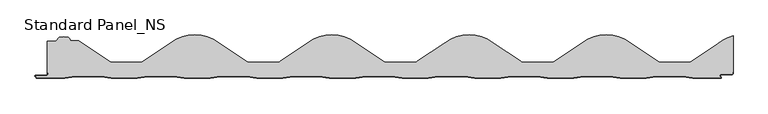
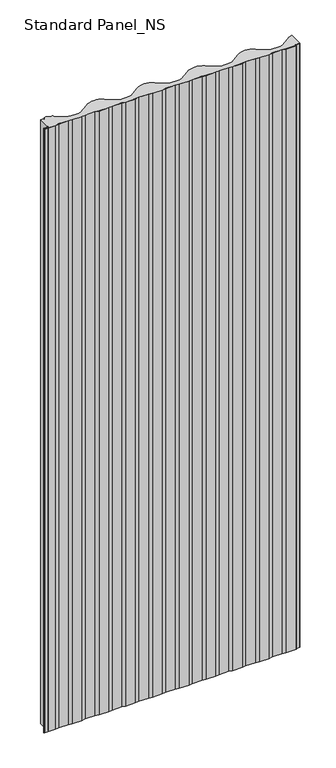
"""IFC4 building model written with IfcOpenShell, lengths in millimetres: proxy geometry, Standard Panel_NS."""

from ifc_helpers import new_model, si_unit, point, frame, frame_2d, origin, origin_with_axes, place, context, project, spatial, polyline, circle_curve, trimmed, segment, composite_curve, outline, extrude, source, transform, mapped, element, save
from ifc_brep_helpers import plane_surface, cylinder_surface, revolved_surface, advanced_brep


def standard_panel_ns_b947a4be(model_context):
    return source(origin(), model_context, "Body", "SolidModel", [
        advanced_brep(
        [(395.5323329, 23.5, 2527.968552), (389.2770009, 25.4959769, 2527.968552), (349.7455676, 52.1089905, 2527.968552), (314.8322403, 63.5, 2527.968552), (279.918913, 52.1089905, 2527.968552), (240.3915864, 25.4988948, 2527.968552), (234.1323472, 23.5, 2527.968552), (195.5323329, 23.5, 2527.968552), (189.2770009, 25.4959769, 2527.968552), (149.7455676, 52.1089905, 2527.968552), (114.8322403, 63.5, 2527.968552), (79.918913, 52.1089905, 2527.968552), (40.3915864, 25.4988948, 2527.968552), (34.1323473, 23.5, 2527.968552), (-4.4676671, 23.5, 2527.968552), (-10.7229991, 25.4959769, 2527.968552), (-50.2544324, 52.1089905, 2527.968552), (-85.1677597, 63.5, 2527.968552), (-120.081087, 52.1089905, 2527.968552), (-159.6084136, 25.4988948, 2527.968552), (-165.8676528, 23.5, 2527.968552), (-204.4676671, 23.5, 2527.968552), (-210.7229991, 25.4959769, 2527.968552), (-250.2544324, 52.1089905, 2527.968552), (-285.1677597, 63.5, 2527.968552), (-320.0592959, 52.1248963, 2527.968552), (-359.6038434, 25.503876, 2527.968552), (-365.8686419, 23.4994091, 2527.968552), (-404.4674259, 23.4994091, 2527.968552), (-410.7229092, 25.4954353, 2527.968552), (-450.2545801, 52.1086168, 2527.968552), (-453.5825162, 54.3696165, 2527.968552), (-456.0900423, 55.09444, 2527.968552), (-465.4302124, 55.09444, 2527.968552), (-467.2062902, 56.6011784, 2527.968552), (-470.5868875, 60.0466486, 2527.968552), (-482.1786224, 60.0466465, 2527.968552), (-485.5592106, 56.6012998, 2527.968552), (-487.3351296, 55.0947436, 2527.968552), (-499.9999093, 54.4964332, 2527.968552), (-499.9999093, 8.130172, 2527.968552), (-499.1999093, 8.130172, 2527.968552), (-499.1999093, 6.2001721, 2527.968552), (-501.399909, 4.0001723, 2527.968552), (-517.7297352, 4.0001723, 2527.968552), (-515.6532927, 0.8, 2527.968552), (-474.8011193, 0.8, 2527.968552), (-459.8011193, 3.3, 2527.968552), (-421.6686993, 3.3, 2527.968552), (-406.6686993, 0.8, 2527.968552), (-368.8011193, 0.8, 2527.968552), (-353.8011193, 3.3, 2527.968552), (-315.6686993, 3.3, 2527.968552), (-300.6686993, 0.8, 2527.968552), (-262.8011193, 0.8, 2527.968552), (-247.8011193, 3.3, 2527.968552), (-209.6686993, 3.3, 2527.968552), (-194.6686993, 0.8, 2527.968552), (-156.8011193, 0.8, 2527.968552), (-141.8011193, 3.3, 2527.968552), (-103.6686993, 3.3, 2527.968552), (-88.6686993, 0.8, 2527.968552), (-50.8011193, 0.8, 2527.968552), (-35.8011193, 3.3, 2527.968552), (2.3313007, 3.3, 2527.968552), (17.3313007, 0.8, 2527.968552), (55.1988807, 0.8, 2527.968552), (70.1988807, 3.3, 2527.968552), (108.3313007, 3.3, 2527.968552), (123.3313007, 0.8, 2527.968552), (161.1988807, 0.8, 2527.968552), (176.1988807, 3.3, 2527.968552), (214.3313007, 3.3, 2527.968552), (229.3313007, 0.8, 2527.968552), (267.1988807, 0.8, 2527.968552), (282.1988807, 3.3, 2527.968552), (320.3313007, 3.3, 2527.968552), (335.3313007, 0.8, 2527.968552), (373.1988807, 0.8, 2527.968552), (388.1988807, 3.3, 2527.968552), (426.3313007, 3.3, 2527.968552), (441.3313007, 0.8, 2527.968552), (482.4394089, 0.8, 2527.968552), (480.8040321, 3.3204106, 2527.968552), (482.3140213, 6.1001721, 2527.968552), (497.9000914, 6.1001721, 2527.968552), (499.2000907, 7.4001714, 2527.968552), (499.2000907, 9.4001722, 2527.968552), (500.0000907, 9.4001722, 2527.968552), (500.0000907, 62.14035, 2527.968552), (477.7645921, 50.7322407, 2527.968552), (440.3874796, 25.4959769, 2527.968552), (434.1321477, 23.5, 2527.968552), (395.5323329, 23.5, 0.0), (434.1321477, 23.5, 0.0), (440.3874796, 25.4959769, 0.0), (477.7645921, 50.7322407, 0.0), (500.0000907, 62.14035, 0.0), (500.0000907, 9.4001722, 0.0), (499.2000907, 9.4001722, 0.0), (499.2000907, 7.4001714, 0.0), (497.9000914, 6.1001721, 0.0), (482.3140213, 6.1001721, 0.0), (480.8040321, 3.3204106, 0.0), (482.4394089, 0.8, 0.0), (441.3313007, 0.8, 0.0), (426.3313007, 3.3, 0.0), (388.1988807, 3.3, 0.0), (373.1988807, 0.8, 0.0), (335.3313007, 0.8, 0.0), (320.3313007, 3.3, 0.0), (282.1988807, 3.3, 0.0), (267.1988807, 0.8, 0.0), (229.3313007, 0.8, 0.0), (214.3313007, 3.3, 0.0), (176.1988807, 3.3, 0.0), (161.1988807, 0.8, 0.0), (123.3313007, 0.8, 0.0), (108.3313007, 3.3, 0.0), (70.1988807, 3.3, 0.0), (55.1988807, 0.8, 0.0), (17.3313007, 0.8, 0.0), (2.3313007, 3.3, 0.0), (-35.8011193, 3.3, 0.0), (-50.8011193, 0.8, 0.0), (-88.6686993, 0.8, 0.0), (-103.6686993, 3.3, 0.0), (-141.8011193, 3.3, 0.0), (-156.8011193, 0.8, 0.0), (-194.6686993, 0.8, 0.0), (-209.6686993, 3.3, 0.0), (-247.8011193, 3.3, 0.0), (-262.8011193, 0.8, 0.0), (-300.6686993, 0.8, 0.0), (-315.6686993, 3.3, 0.0), (-353.8011193, 3.3, 0.0), (-368.8011193, 0.8, 0.0), (-406.6686993, 0.8, 0.0), (-421.6686993, 3.3, 0.0), (-459.8011193, 3.3, 0.0), (-474.8011193, 0.8, 0.0), (-515.6532927, 0.8, 0.0), (-517.7297352, 4.0001723, 0.0), (-501.399909, 4.0001723, 0.0), (-499.1999093, 6.2001721, 0.0), (-499.1999093, 8.130172, 0.0), (-499.9999093, 8.130172, 0.0), (-499.9999093, 54.4964332, 0.0), (-487.3351296, 55.0947438, 0.0), (-485.5592106, 56.6012998, 0.0), (-482.1786224, 60.0466465, 0.0), (-470.5868875, 60.0466486, 0.0), (-467.2062902, 56.6011784, 0.0), (-465.4302124, 55.09444, 0.0), (-456.0900423, 55.09444, 0.0), (-453.5825161, 54.3696166, 0.0), (-450.2545801, 52.1086168, 0.0), (-410.7229082, 25.4954367, 0.0), (-404.4674259, 23.4994091, 0.0), (-365.8686419, 23.4994091, 0.0), (-359.6038439, 25.5038768, 0.0), (-320.0592959, 52.1248963, 0.0), (-285.1677597, 63.5, 0.0), (-250.2544324, 52.1089905, 0.0), (-210.7229991, 25.4959769, 0.0), (-204.4676671, 23.5, 0.0), (-165.8676528, 23.5, 0.0), (-159.6084129, 25.4988938, 0.0), (-120.081087, 52.1089905, 0.0), (-85.1677597, 63.5, 0.0), (-50.2544324, 52.1089905, 0.0), (-10.7229991, 25.4959769, 0.0), (-4.4676671, 23.5, 0.0), (34.1323473, 23.5, 0.0), (40.3915871, 25.4988938, 0.0), (79.918913, 52.1089905, 0.0), (114.8322403, 63.5, 0.0), (149.7455676, 52.1089905, 0.0), (189.2770009, 25.4959769, 0.0), (195.5323329, 23.5, 0.0), (234.1323472, 23.5, 0.0), (240.3915871, 25.4988938, 0.0), (279.918913, 52.1089905, 0.0), (314.8322403, 63.5, 0.0), (349.7455676, 52.1089905, 0.0), (389.2770009, 25.4959769, 0.0)],
        [
            (0, 1, circle_curve(frame((395.5323329, 34.3, 2527.968552), z_axis=(0.0, 0.0, -1.0), x_axis=(1.0, 0.0, 0.0)), 10.8)),
            (1, 2, circle_curve(frame((-157.9133965, -744.6433117, 2527.968552), z_axis=(0.0, 0.0, 1.0), x_axis=(1.0, 0.0, 0.0)), 944.7390407)),
            (2, 3, circle_curve(frame((314.8322403, 4.3, 2527.968552), z_axis=(0.0, 0.0, 1.0), x_axis=(1.0, 0.0, 0.0)), 59.2)),
            (3, 4, circle_curve(frame((314.8322403, 4.3, 2527.968552), z_axis=(0.0, 0.0, 1.0), x_axis=(1.0, 0.0, 0.0)), 59.2)),
            (4, 5, circle_curve(frame((787.5778771, -744.6433117, 2527.968552), z_axis=(0.0, 0.0, 1.0), x_axis=(1.0, 0.0, 0.0)), 944.7390407)),
            (5, 6, circle_curve(frame((234.1270522, 34.3159692, 2527.968552), z_axis=(0.0, 0.0, -1.0), x_axis=(1.0, 0.0, 0.0)), 10.8159704)),
            (6, 7),
            (7, 8, circle_curve(frame((195.5323329, 34.3, 2527.968552), z_axis=(0.0, 0.0, -1.0), x_axis=(1.0, 0.0, 0.0)), 10.8)),
            (8, 9, circle_curve(frame((-357.9133965, -744.6433117, 2527.968552), z_axis=(0.0, 0.0, 1.0), x_axis=(1.0, 0.0, 0.0)), 944.7390407)),
            (9, 10, circle_curve(frame((114.8322403, 4.3, 2527.968552), z_axis=(0.0, 0.0, 1.0), x_axis=(1.0, 0.0, 0.0)), 59.2)),
            (10, 11, circle_curve(frame((114.8322403, 4.3, 2527.968552), z_axis=(0.0, 0.0, 1.0), x_axis=(1.0, 0.0, 0.0)), 59.2)),
            (11, 12, circle_curve(frame((587.5778771, -744.6433117, 2527.968552), z_axis=(0.0, 0.0, 1.0), x_axis=(1.0, 0.0, 0.0)), 944.7390407)),
            (12, 13, circle_curve(frame((34.1270522, 34.3159692, 2527.968552), z_axis=(0.0, 0.0, -1.0), x_axis=(1.0, 0.0, 0.0)), 10.8159704)),
            (13, 14),
            (14, 15, circle_curve(frame((-4.4676671, 34.3, 2527.968552), z_axis=(0.0, 0.0, -1.0), x_axis=(1.0, 0.0, 0.0)), 10.8)),
            (15, 16, circle_curve(frame((-557.9133965, -744.6433117, 2527.968552), z_axis=(0.0, 0.0, 1.0), x_axis=(1.0, 0.0, 0.0)), 944.7390407)),
            (16, 17, circle_curve(frame((-85.1677597, 4.3, 2527.968552), z_axis=(0.0, 0.0, 1.0), x_axis=(1.0, 0.0, 0.0)), 59.2)),
            (17, 18, circle_curve(frame((-85.1677597, 4.3, 2527.968552), z_axis=(0.0, 0.0, 1.0), x_axis=(1.0, 0.0, 0.0)), 59.2)),
            (18, 19, circle_curve(frame((387.5778771, -744.6433117, 2527.968552), z_axis=(0.0, 0.0, 1.0), x_axis=(1.0, 0.0, 0.0)), 944.7390407)),
            (19, 20, circle_curve(frame((-165.8729478, 34.3159692, 2527.968552), z_axis=(0.0, 0.0, -1.0), x_axis=(1.0, 0.0, 0.0)), 10.8159704)),
            (20, 21),
            (21, 22, circle_curve(frame((-204.4676671, 34.3, 2527.968552), z_axis=(0.0, 0.0, -1.0), x_axis=(1.0, 0.0, 0.0)), 10.8)),
            (22, 23, circle_curve(frame((-757.9133965, -744.6433117, 2527.968552), z_axis=(0.0, 0.0, 1.0), x_axis=(1.0, 0.0, 0.0)), 944.7390407)),
            (23, 24, circle_curve(frame((-285.1677597, 4.3, 2527.968552), z_axis=(0.0, 0.0, 1.0), x_axis=(1.0, 0.0, 0.0)), 59.2)),
            (24, 25, circle_curve(frame((-285.1677597, 4.3, 2527.968552), z_axis=(0.0, 0.0, 1.0), x_axis=(1.0, 0.0, 0.0)), 59.2)),
            (25, 26, circle_curve(frame((187.5821921, -744.6393788, 2527.968552), z_axis=(0.0, 0.0, 1.0), x_axis=(1.0, 0.0, 0.0)), 944.7397474)),
            (26, 27, circle_curve(frame((-365.8858957, 34.3456225, 2527.968552), z_axis=(0.0, 0.0, -1.0), x_axis=(1.0, 0.0, 0.0)), 10.8462271)),
            (27, 28),
            (28, 29, circle_curve(frame((-404.4674259, 34.2996665, 2527.968552), z_axis=(0.0, 0.0, -1.0), x_axis=(1.0, 0.0, 0.0)), 10.8002574)),
            (29, 30, circle_curve(frame((-957.9133952, -744.6435529, 2527.968552), z_axis=(0.0, 0.0, 1.0), x_axis=(1.0, 0.0, 0.0)), 944.7388488)),
            (30, 31, circle_curve(frame((-485.1678875, 4.2998482, 2527.968552), z_axis=(0.0, 0.0, 1.0), x_axis=(1.0, 0.0, 0.0)), 59.199809)),
            (31, 32, circle_curve(frame((-456.0900423, 50.3946355, 2527.968552), z_axis=(0.0, 0.0, 1.0), x_axis=(1.0, 0.0, 0.0)), 4.6998045)),
            (32, 33),
            (33, 34, circle_curve(frame((-465.4302124, 56.8945909, 2527.968552), z_axis=(0.0, 0.0, -1.0), x_axis=(1.0, 0.0, 0.0)), 1.8001509)),
            (34, 35, circle_curve(frame((-471.3500849, 55.9166129, 2527.968552), z_axis=(0.0, 0.0, 1.0), x_axis=(1.0, 0.0, 0.0)), 4.1999601)),
            (35, 36, circle_curve(frame((-476.3827477, 19.9354014, 2527.968552), z_axis=(0.0, 0.0, 1.0), x_axis=(1.0, 0.0, 0.0)), 40.5278194)),
            (36, 37, circle_curve(frame((-481.4154327, 55.9166048, 2527.968552), z_axis=(0.0, 0.0, 1.0), x_axis=(1.0, 0.0, 0.0)), 4.1999646)),
            (37, 38, circle_curve(frame((-487.3351296, 56.8947428, 2527.968552), z_axis=(0.0, 0.0, -1.0), x_axis=(1.0, 0.0, 0.0)), 1.7999992)),
            (38, 39, circle_curve(frame((-487.3351296, -79.2457036, 2527.968552), z_axis=(0.0, 0.0, 1.0), x_axis=(1.0, 0.0, 0.0)), 134.3404474)),
            (39, 40),
            (40, 41),
            (41, 42),
            (42, 43, circle_curve(frame((-501.399909, 6.2001721, 2527.968552), z_axis=(0.0, 0.0, -1.0), x_axis=(1.0, 0.0, 0.0)), 2.1999997)),
            (43, 44),
            (44, 45),
            (45, 46),
            (46, 47),
            (47, 48),
            (48, 49),
            (49, 50),
            (50, 51),
            (51, 52),
            (52, 53),
            (53, 54),
            (54, 55),
            (55, 56),
            (56, 57),
            (57, 58),
            (58, 59),
            (59, 60),
            (60, 61),
            (61, 62),
            (62, 63),
            (63, 64),
            (64, 65),
            (65, 66),
            (66, 67),
            (67, 68),
            (68, 69),
            (69, 70),
            (70, 71),
            (71, 72),
            (72, 73),
            (73, 74),
            (74, 75),
            (75, 76),
            (76, 77),
            (77, 78),
            (78, 79),
            (79, 80),
            (80, 81),
            (81, 82),
            (82, 83),
            (83, 84, circle_curve(frame((482.3140213, 4.3001721, 2527.968552), z_axis=(0.0, 0.0, -1.0), x_axis=(1.0, 0.0, 0.0)), 1.8)),
            (84, 85),
            (85, 86, circle_curve(frame((497.9000914, 7.4001714, 2527.968552), z_axis=(0.0, 0.0, 1.0), x_axis=(1.0, 0.0, 0.0)), 1.2999993)),
            (86, 87),
            (87, 88),
            (88, 89),
            (89, 90, circle_curve(frame((515.2973576, 4.9508962, 2527.968552), z_axis=(0.0, 0.0, 1.0), x_axis=(1.0, 0.0, 0.0)), 59.2)),
            (90, 91, circle_curve(frame((987.5778771, -744.6433117, 2527.968552), z_axis=(0.0, 0.0, 1.0), x_axis=(1.0, 0.0, 0.0)), 944.7390407)),
            (91, 92, circle_curve(frame((434.1321477, 34.3, 2527.968552), z_axis=(0.0, 0.0, -1.0), x_axis=(1.0, 0.0, 0.0)), 10.8)),
            (92, 0),
            (93, 94),
            (94, 95, circle_curve(frame((434.1321477, 34.3, 0.0), z_axis=(0.0, 0.0, 1.0), x_axis=(1.0, 0.0, 0.0)), 10.8)),
            (95, 96, circle_curve(frame((987.5778771, -744.6433117, 0.0), z_axis=(0.0, 0.0, -1.0), x_axis=(1.0, 0.0, 0.0)), 944.7390407)),
            (96, 97, circle_curve(frame((515.2973576, 4.9508962, 0.0), z_axis=(0.0, 0.0, -1.0), x_axis=(1.0, 0.0, 0.0)), 59.2)),
            (97, 98),
            (98, 99),
            (99, 100),
            (100, 101, circle_curve(frame((497.9000914, 7.4001714, 0.0), z_axis=(0.0, 0.0, -1.0), x_axis=(1.0, 0.0, 0.0)), 1.2999993)),
            (101, 102),
            (102, 103, circle_curve(frame((482.3140213, 4.3001721, 0.0), z_axis=(0.0, 0.0, 1.0), x_axis=(1.0, 0.0, 0.0)), 1.8)),
            (103, 104),
            (104, 105),
            (105, 106),
            (106, 107),
            (107, 108),
            (108, 109),
            (109, 110),
            (110, 111),
            (111, 112),
            (112, 113),
            (113, 114),
            (114, 115),
            (115, 116),
            (116, 117),
            (117, 118),
            (118, 119),
            (119, 120),
            (120, 121),
            (121, 122),
            (122, 123),
            (123, 124),
            (124, 125),
            (125, 126),
            (126, 127),
            (127, 128),
            (128, 129),
            (129, 130),
            (130, 131),
            (131, 132),
            (132, 133),
            (133, 134),
            (134, 135),
            (135, 136),
            (136, 137),
            (137, 138),
            (138, 139),
            (139, 140),
            (140, 141),
            (141, 142),
            (142, 143),
            (143, 144, circle_curve(frame((-501.399909, 6.2001721, 0.0), z_axis=(0.0, 0.0, 1.0), x_axis=(1.0, 0.0, 0.0)), 2.1999997)),
            (144, 145),
            (145, 146),
            (146, 147),
            (147, 148, circle_curve(frame((-487.3351296, -79.2457036, 0.0), z_axis=(0.0, 0.0, -1.0), x_axis=(1.0, 0.0, 0.0)), 134.3404474)),
            (148, 149, circle_curve(frame((-487.3351296, 56.8947428, 0.0), z_axis=(0.0, 0.0, 1.0), x_axis=(1.0, 0.0, 0.0)), 1.7999992)),
            (149, 150, circle_curve(frame((-481.4154327, 55.9166048, 0.0), z_axis=(0.0, 0.0, -1.0), x_axis=(1.0, 0.0, 0.0)), 4.1999646)),
            (150, 151, circle_curve(frame((-476.3827477, 19.9354014, 0.0), z_axis=(0.0, 0.0, -1.0), x_axis=(1.0, 0.0, 0.0)), 40.5278194)),
            (151, 152, circle_curve(frame((-471.3500849, 55.9166129, 0.0), z_axis=(0.0, 0.0, -1.0), x_axis=(1.0, 0.0, 0.0)), 4.1999601)),
            (152, 153, circle_curve(frame((-465.4302124, 56.8945909, 0.0), z_axis=(0.0, 0.0, 1.0), x_axis=(1.0, 0.0, 0.0)), 1.8001509)),
            (153, 154),
            (154, 155, circle_curve(frame((-456.0900423, 50.3946355, 0.0), z_axis=(0.0, 0.0, -1.0), x_axis=(1.0, 0.0, 0.0)), 4.6998045)),
            (155, 156, circle_curve(frame((-485.1678875, 4.2998482, 0.0), z_axis=(0.0, 0.0, -1.0), x_axis=(1.0, 0.0, 0.0)), 59.199809)),
            (156, 157, circle_curve(frame((-957.9133952, -744.6435529, 0.0), z_axis=(0.0, 0.0, -1.0), x_axis=(1.0, 0.0, 0.0)), 944.7388488)),
            (157, 158, circle_curve(frame((-404.4674259, 34.2996665, 0.0), z_axis=(0.0, 0.0, 1.0), x_axis=(1.0, 0.0, 0.0)), 10.8002574)),
            (158, 159),
            (159, 160, circle_curve(frame((-365.8858957, 34.3456225, 0.0), z_axis=(0.0, 0.0, 1.0), x_axis=(1.0, 0.0, 0.0)), 10.8462271)),
            (160, 161, circle_curve(frame((187.5821921, -744.6393788, 0.0), z_axis=(0.0, 0.0, -1.0), x_axis=(1.0, 0.0, 0.0)), 944.7397474)),
            (161, 162, circle_curve(frame((-285.1677597, 4.3, 0.0), z_axis=(0.0, 0.0, -1.0), x_axis=(1.0, 0.0, 0.0)), 59.2)),
            (162, 163, circle_curve(frame((-285.1677597, 4.3, 0.0), z_axis=(0.0, 0.0, -1.0), x_axis=(1.0, 0.0, 0.0)), 59.2)),
            (163, 164, circle_curve(frame((-757.9133965, -744.6433117, 0.0), z_axis=(0.0, 0.0, -1.0), x_axis=(1.0, 0.0, 0.0)), 944.7390407)),
            (164, 165, circle_curve(frame((-204.4676671, 34.3, 0.0), z_axis=(0.0, 0.0, 1.0), x_axis=(1.0, 0.0, 0.0)), 10.8)),
            (165, 166),
            (166, 167, circle_curve(frame((-165.8729478, 34.3159692, 0.0), z_axis=(0.0, 0.0, 1.0), x_axis=(1.0, 0.0, 0.0)), 10.8159704)),
            (167, 168, circle_curve(frame((387.5778771, -744.6433117, 0.0), z_axis=(0.0, 0.0, -1.0), x_axis=(1.0, 0.0, 0.0)), 944.7390407)),
            (168, 169, circle_curve(frame((-85.1677597, 4.3, 0.0), z_axis=(0.0, 0.0, -1.0), x_axis=(1.0, 0.0, 0.0)), 59.2)),
            (169, 170, circle_curve(frame((-85.1677597, 4.3, 0.0), z_axis=(0.0, 0.0, -1.0), x_axis=(1.0, 0.0, 0.0)), 59.2)),
            (170, 171, circle_curve(frame((-557.9133965, -744.6433117, 0.0), z_axis=(0.0, 0.0, -1.0), x_axis=(1.0, 0.0, 0.0)), 944.7390407)),
            (171, 172, circle_curve(frame((-4.4676671, 34.3, 0.0), z_axis=(0.0, 0.0, 1.0), x_axis=(1.0, 0.0, 0.0)), 10.8)),
            (172, 173),
            (173, 174, circle_curve(frame((34.1270522, 34.3159692, 0.0), z_axis=(0.0, 0.0, 1.0), x_axis=(1.0, 0.0, 0.0)), 10.8159704)),
            (174, 175, circle_curve(frame((587.5778771, -744.6433117, 0.0), z_axis=(0.0, 0.0, -1.0), x_axis=(1.0, 0.0, 0.0)), 944.7390407)),
            (175, 176, circle_curve(frame((114.8322403, 4.3, 0.0), z_axis=(0.0, 0.0, -1.0), x_axis=(1.0, 0.0, 0.0)), 59.2)),
            (176, 177, circle_curve(frame((114.8322403, 4.3, 0.0), z_axis=(0.0, 0.0, -1.0), x_axis=(1.0, 0.0, 0.0)), 59.2)),
            (177, 178, circle_curve(frame((-357.9133965, -744.6433117, 0.0), z_axis=(0.0, 0.0, -1.0), x_axis=(1.0, 0.0, 0.0)), 944.7390407)),
            (178, 179, circle_curve(frame((195.5323329, 34.3, 0.0), z_axis=(0.0, 0.0, 1.0), x_axis=(1.0, 0.0, 0.0)), 10.8)),
            (179, 180),
            (180, 181, circle_curve(frame((234.1270522, 34.3159692, 0.0), z_axis=(0.0, 0.0, 1.0), x_axis=(1.0, 0.0, 0.0)), 10.8159704)),
            (181, 182, circle_curve(frame((787.5778771, -744.6433117, 0.0), z_axis=(0.0, 0.0, -1.0), x_axis=(1.0, 0.0, 0.0)), 944.7390407)),
            (182, 183, circle_curve(frame((314.8322403, 4.3, 0.0), z_axis=(0.0, 0.0, -1.0), x_axis=(1.0, 0.0, 0.0)), 59.2)),
            (183, 184, circle_curve(frame((314.8322403, 4.3, 0.0), z_axis=(0.0, 0.0, -1.0), x_axis=(1.0, 0.0, 0.0)), 59.2)),
            (184, 185, circle_curve(frame((-157.9133965, -744.6433117, 0.0), z_axis=(0.0, 0.0, -1.0), x_axis=(1.0, 0.0, 0.0)), 944.7390407)),
            (185, 93, circle_curve(frame((395.5323329, 34.3, 0.0), z_axis=(0.0, 0.0, 1.0), x_axis=(1.0, 0.0, 0.0)), 10.8)),
            (0, 93),
            (185, 1),
            (184, 2),
            (183, 3),
            (182, 4),
            (181, 5),
            (180, 6),
            (179, 7),
            (178, 8),
            (177, 9),
            (176, 10),
            (175, 11),
            (174, 12),
            (173, 13),
            (172, 14),
            (171, 15),
            (170, 16),
            (169, 17),
            (168, 18),
            (167, 19),
            (166, 20),
            (165, 21),
            (164, 22),
            (163, 23),
            (162, 24),
            (161, 25),
            (160, 26),
            (159, 27),
            (158, 28),
            (157, 29),
            (156, 30),
            (155, 31),
            (154, 32),
            (153, 33),
            (152, 34),
            (151, 35),
            (150, 36),
            (149, 37),
            (148, 38),
            (147, 39),
            (146, 40),
            (145, 41),
            (144, 42),
            (143, 43),
            (142, 44),
            (141, 45),
            (140, 46),
            (139, 47),
            (138, 48),
            (137, 49),
            (136, 50),
            (135, 51),
            (134, 52),
            (133, 53),
            (132, 54),
            (131, 55),
            (130, 56),
            (129, 57),
            (128, 58),
            (127, 59),
            (126, 60),
            (125, 61),
            (124, 62),
            (123, 63),
            (122, 64),
            (121, 65),
            (120, 66),
            (119, 67),
            (118, 68),
            (117, 69),
            (116, 70),
            (115, 71),
            (114, 72),
            (113, 73),
            (112, 74),
            (111, 75),
            (110, 76),
            (109, 77),
            (108, 78),
            (107, 79),
            (106, 80),
            (105, 81),
            (104, 82),
            (103, 83),
            (102, 84),
            (101, 85),
            (100, 86),
            (99, 87),
            (98, 88),
            (97, 89),
            (96, 90),
            (95, 91),
            (94, 92),
        ],
        [
            plane_surface(frame((9.07e-05, 0.0, 2527.968552), z_axis=(0.0, 0.0, 1.0), x_axis=(0.0, -1.0, 0.0))),
            plane_surface(frame((9.07e-05, 0.0, 0.0), z_axis=(0.0, 0.0, -1.0), x_axis=(0.0, -1.0, 0.0))),
            revolved_surface(polyline([(406.3323329, 34.3, 0.0), (406.3323329, 34.3, 2527.968552)]), (395.5323329, 34.3, 2527.968552), (0.0, 0.0, -1.0)),
            cylinder_surface(frame((-157.9133965, -744.6433117, 2527.968552), z_axis=(0.0, 0.0, 1.0), x_axis=(1.0, 0.0, 0.0)), 944.7390407),
            cylinder_surface(frame((314.8322403, 4.3, 2527.968552), z_axis=(0.0, 0.0, 1.0), x_axis=(1.0, 0.0, 0.0)), 59.2),
            cylinder_surface(frame((787.5778771, -744.6433117, 2527.968552), z_axis=(0.0, 0.0, 1.0), x_axis=(1.0, 0.0, 0.0)), 944.7390407),
            revolved_surface(polyline([(244.9430226, 34.3159692, 0.0), (244.9430226, 34.3159692, 2527.968552)]), (234.1270522, 34.3159692, 2527.968552), (0.0, 0.0, -1.0)),
            plane_surface(frame((234.1323472, 23.5, 2527.968552), z_axis=(0.0, 1.0, 0.0), x_axis=(0.0, 0.0, -1.0))),
            revolved_surface(polyline([(206.3323329, 34.3, 0.0), (206.3323329, 34.3, 2527.968552)]), (195.5323329, 34.3, 2527.968552), (0.0, 0.0, -1.0)),
            cylinder_surface(frame((-357.9133965, -744.6433117, 2527.968552), z_axis=(0.0, 0.0, 1.0), x_axis=(1.0, 0.0, 0.0)), 944.7390407),
            cylinder_surface(frame((114.8322403, 4.3, 2527.968552), z_axis=(0.0, 0.0, 1.0), x_axis=(1.0, 0.0, 0.0)), 59.2),
            cylinder_surface(frame((587.5778771, -744.6433117, 2527.968552), z_axis=(0.0, 0.0, 1.0), x_axis=(1.0, 0.0, 0.0)), 944.7390407),
            revolved_surface(polyline([(44.9430226, 34.3159692, 0.0), (44.9430226, 34.3159692, 2527.968552)]), (34.1270522, 34.3159692, 2527.968552), (0.0, 0.0, -1.0)),
            plane_surface(frame((34.1323473, 23.5, 2527.968552), z_axis=(0.0, 1.0, 0.0), x_axis=(0.0, 0.0, -1.0))),
            revolved_surface(polyline([(6.332332900000001, 34.3, 0.0), (6.332332900000001, 34.3, 2527.968552)]), (-4.4676671, 34.3, 2527.968552), (0.0, 0.0, -1.0)),
            cylinder_surface(frame((-557.9133965, -744.6433117, 2527.968552), z_axis=(0.0, 0.0, 1.0), x_axis=(1.0, 0.0, 0.0)), 944.7390407),
            cylinder_surface(frame((-85.1677597, 4.3, 2527.968552), z_axis=(0.0, 0.0, 1.0), x_axis=(1.0, 0.0, 0.0)), 59.2),
            cylinder_surface(frame((387.5778771, -744.6433117, 2527.968552), z_axis=(0.0, 0.0, 1.0), x_axis=(1.0, 0.0, 0.0)), 944.7390407),
            revolved_surface(polyline([(-155.0569774, 34.3159692, 0.0), (-155.0569774, 34.3159692, 2527.968552)]), (-165.8729478, 34.3159692, 2527.968552), (0.0, 0.0, -1.0)),
            plane_surface(frame((-165.8676528, 23.5, 2527.968552), z_axis=(0.0, 1.0, 0.0), x_axis=(0.0, 0.0, -1.0))),
            revolved_surface(polyline([(-193.6676671, 34.3, 0.0), (-193.6676671, 34.3, 2527.968552)]), (-204.4676671, 34.3, 2527.968552), (0.0, 0.0, -1.0)),
            cylinder_surface(frame((-757.9133965, -744.6433117, 2527.968552), z_axis=(0.0, 0.0, 1.0), x_axis=(1.0, 0.0, 0.0)), 944.7390407),
            cylinder_surface(frame((-285.1677597, 4.3, 2527.968552), z_axis=(0.0, 0.0, 1.0), x_axis=(1.0, 0.0, 0.0)), 59.2),
            cylinder_surface(frame((187.5821921, -744.6393788, 2527.968552), z_axis=(0.0, 0.0, 1.0), x_axis=(1.0, 0.0, 0.0)), 944.7397474),
            revolved_surface(polyline([(-355.03966859999997, 34.3456225, 0.0), (-355.03966859999997, 34.3456225, 2527.968552)]), (-365.8858957, 34.3456225, 2527.968552), (0.0, 0.0, -1.0)),
            plane_surface(frame((-365.8686419, 23.4994091, 2527.968552), z_axis=(0.0, 1.0, 0.0), x_axis=(0.0, 0.0, -1.0))),
            revolved_surface(polyline([(-393.6671685, 34.2996665, 0.0), (-393.6671685, 34.2996665, 2527.968552)]), (-404.4674259, 34.2996665, 2527.968552), (0.0, 0.0, -1.0)),
            cylinder_surface(frame((-957.9133952, -744.6435529, 2527.968552), z_axis=(0.0, 0.0, 1.0), x_axis=(1.0, 0.0, 0.0)), 944.7388488),
            cylinder_surface(frame((-485.1678875, 4.2998482, 2527.968552), z_axis=(0.0, 0.0, 1.0), x_axis=(1.0, 0.0, 0.0)), 59.199809),
            cylinder_surface(frame((-456.0900423, 50.3946355, 2527.968552), z_axis=(0.0, 0.0, 1.0), x_axis=(1.0, 0.0, 0.0)), 4.6998045),
            plane_surface(frame((-456.0900423, 55.09444, 2527.968552), z_axis=(0.0, 1.0, 0.0), x_axis=(0.0, 0.0, -1.0))),
            revolved_surface(polyline([(-463.6300615, 56.8945909, 0.0), (-463.6300615, 56.8945909, 2527.968552)]), (-465.4302124, 56.8945909, 2527.968552), (0.0, 0.0, -1.0)),
            cylinder_surface(frame((-471.3500849, 55.9166129, 2527.968552), z_axis=(0.0, 0.0, 1.0), x_axis=(1.0, 0.0, 0.0)), 4.1999601),
            cylinder_surface(frame((-476.3827477, 19.9354014, 2527.968552), z_axis=(0.0, 0.0, 1.0), x_axis=(1.0, 0.0, 0.0)), 40.5278194),
            cylinder_surface(frame((-481.4154327, 55.9166048, 2527.968552), z_axis=(0.0, 0.0, 1.0), x_axis=(1.0, 0.0, 0.0)), 4.1999646),
            revolved_surface(polyline([(-485.5351304, 56.8947428, 0.0), (-485.5351304, 56.8947428, 2527.968552)]), (-487.3351296, 56.8947428, 2527.968552), (0.0, 0.0, -1.0)),
            cylinder_surface(frame((-487.3351296, -79.2457036, 2527.968552), z_axis=(0.0, 0.0, 1.0), x_axis=(1.0, 0.0, 0.0)), 134.3404474),
            plane_surface(frame((-499.9999093, 54.4964332, 2527.968552), z_axis=(-1.0, 0.0, 0.0), x_axis=(0.0, 0.0, -1.0))),
            plane_surface(frame((-499.9999093, 8.130172, 2527.968552), z_axis=(0.0, -1.0, 0.0), x_axis=(0.0, 0.0, -1.0))),
            plane_surface(frame((-499.1999093, 8.130172, 2527.968552), z_axis=(-1.0, 0.0, 0.0), x_axis=(0.0, 0.0, -1.0))),
            revolved_surface(polyline([(-499.1999093, 6.2001721, 0.0), (-499.1999093, 6.2001721, 2527.968552)]), (-501.399909, 6.2001721, 2527.968552), (0.0, 0.0, -1.0)),
            plane_surface(frame((-501.399909, 4.0001723, 2527.968552), z_axis=(0.0, 1.0, 0.0), x_axis=(0.0, 0.0, -1.0))),
            plane_surface(frame((-517.7297352, 4.0001723, 2527.968552), z_axis=(-0.838882890057922, -0.5443119480298668, 0.0), x_axis=(0.0, 0.0, -1.0))),
            plane_surface(frame((-497.7322786, 0.8, 2527.968552), z_axis=(0.0, -1.0, 0.0), x_axis=(0.0, 0.0, -1.0))),
            plane_surface(frame((-474.8011193, 0.8, 2527.968552), z_axis=(0.16439898730536118, -0.9863939238321431, 0.0), x_axis=(0.0, 0.0, -1.0))),
            plane_surface(frame((-459.8011193, 3.3, 2527.968552), z_axis=(0.0, -1.0, 0.0), x_axis=(0.0, 0.0, -1.0))),
            plane_surface(frame((-421.6686993, 3.3, 2527.968552), z_axis=(-0.1643989873053548, -0.9863939238321442, 0.0), x_axis=(0.0, 0.0, -1.0))),
            plane_surface(frame((-406.6686993, 0.8, 2527.968552), z_axis=(0.0, -1.0, 0.0), x_axis=(0.0, 0.0, -1.0))),
            plane_surface(frame((-368.8011193, 0.8, 2527.968552), z_axis=(0.16439898730536118, -0.9863939238321431, 0.0), x_axis=(0.0, 0.0, -1.0))),
            plane_surface(frame((-353.8011193, 3.3, 2527.968552), z_axis=(0.0, -1.0, 0.0), x_axis=(0.0, 0.0, -1.0))),
            plane_surface(frame((-315.6686993, 3.3, 2527.968552), z_axis=(-0.1643989873053548, -0.9863939238321442, 0.0), x_axis=(0.0, 0.0, -1.0))),
            plane_surface(frame((-300.6686993, 0.8, 2527.968552), z_axis=(0.0, -1.0, 0.0), x_axis=(0.0, 0.0, -1.0))),
            plane_surface(frame((-262.8011193, 0.8, 2527.968552), z_axis=(0.16439898730536084, -0.9863939238321432, 0.0), x_axis=(0.0, 0.0, -1.0))),
            plane_surface(frame((-247.8011193, 3.3, 2527.968552), z_axis=(0.0, -1.0, 0.0), x_axis=(0.0, 0.0, -1.0))),
            plane_surface(frame((-209.6686993, 3.3, 2527.968552), z_axis=(-0.16439898730535482, -0.9863939238321442, 0.0), x_axis=(0.0, 0.0, -1.0))),
            plane_surface(frame((-194.6686993, 0.8, 2527.968552), z_axis=(0.0, -1.0, 0.0), x_axis=(0.0, 0.0, -1.0))),
            plane_surface(frame((-156.8011193, 0.8, 2527.968552), z_axis=(0.1643989873053612, -0.9863939238321431, 0.0), x_axis=(0.0, 0.0, -1.0))),
            plane_surface(frame((-141.8011193, 3.3, 2527.968552), z_axis=(0.0, -1.0, 0.0), x_axis=(0.0, 0.0, -1.0))),
            plane_surface(frame((-103.6686993, 3.3, 2527.968552), z_axis=(-0.16439898730535482, -0.9863939238321442, 0.0), x_axis=(0.0, 0.0, -1.0))),
            plane_surface(frame((-88.6686993, 0.8, 2527.968552), z_axis=(0.0, -1.0, 0.0), x_axis=(0.0, 0.0, -1.0))),
            plane_surface(frame((-50.8011193, 0.8, 2527.968552), z_axis=(0.1643989873053612, -0.9863939238321432, 0.0), x_axis=(0.0, 0.0, -1.0))),
            plane_surface(frame((-35.8011193, 3.3, 2527.968552), z_axis=(0.0, -1.0, 0.0), x_axis=(0.0, 0.0, -1.0))),
            plane_surface(frame((2.3313007, 3.3, 2527.968552), z_axis=(-0.16439898730535413, -0.9863939238321443, 0.0), x_axis=(0.0, 0.0, -1.0))),
            plane_surface(frame((17.3313007, 0.8, 2527.968552), z_axis=(0.0, -1.0, 0.0), x_axis=(0.0, 0.0, -1.0))),
            plane_surface(frame((55.1988807, 0.8, 2527.968552), z_axis=(0.1643989873053605, -0.9863939238321432, 0.0), x_axis=(0.0, 0.0, -1.0))),
            plane_surface(frame((70.1988807, 3.3, 2527.968552), z_axis=(0.0, -1.0, 0.0), x_axis=(0.0, 0.0, -1.0))),
            plane_surface(frame((108.3313007, 3.3, 2527.968552), z_axis=(-0.16439898730535482, -0.9863939238321442, 0.0), x_axis=(0.0, 0.0, -1.0))),
            plane_surface(frame((123.3313007, 0.8, 2527.968552), z_axis=(0.0, -1.0, 0.0), x_axis=(0.0, 0.0, -1.0))),
            plane_surface(frame((161.1988807, 0.8, 2527.968552), z_axis=(0.1643989873053612, -0.9863939238321431, 0.0), x_axis=(0.0, 0.0, -1.0))),
            plane_surface(frame((176.1988807, 3.3, 2527.968552), z_axis=(0.0, -1.0, 0.0), x_axis=(0.0, 0.0, -1.0))),
            plane_surface(frame((214.3313007, 3.3, 2527.968552), z_axis=(-0.16439898730535482, -0.9863939238321442, 0.0), x_axis=(0.0, 0.0, -1.0))),
            plane_surface(frame((229.3313007, 0.8, 2527.968552), z_axis=(0.0, -1.0, 0.0), x_axis=(0.0, 0.0, -1.0))),
            plane_surface(frame((267.1988807, 0.8, 2527.968552), z_axis=(0.1643989873053612, -0.9863939238321431, 0.0), x_axis=(0.0, 0.0, -1.0))),
            plane_surface(frame((282.1988807, 3.3, 2527.968552), z_axis=(0.0, -1.0, 0.0), x_axis=(0.0, 0.0, -1.0))),
            plane_surface(frame((320.3313007, 3.3, 2527.968552), z_axis=(-0.1643989873053548, -0.9863939238321442, 0.0), x_axis=(0.0, 0.0, -1.0))),
            plane_surface(frame((335.3313007, 0.8, 2527.968552), z_axis=(0.0, -1.0, 0.0), x_axis=(0.0, 0.0, -1.0))),
            plane_surface(frame((373.1988807, 0.8, 2527.968552), z_axis=(0.16439898730536118, -0.9863939238321431, 0.0), x_axis=(0.0, 0.0, -1.0))),
            plane_surface(frame((388.1988807, 3.3, 2527.968552), z_axis=(0.0, -1.0, 0.0), x_axis=(0.0, 0.0, -1.0))),
            plane_surface(frame((426.3313007, 3.3, 2527.968552), z_axis=(-0.1643989873053548, -0.9863939238321442, 0.0), x_axis=(0.0, 0.0, -1.0))),
            plane_surface(frame((441.3313007, 0.8, 2527.968552), z_axis=(0.0, -1.0, 0.0), x_axis=(0.0, 0.0, -1.0))),
            plane_surface(frame((482.4394089, 0.8, 2527.968552), z_axis=(0.838882890058634, 0.5443119480287694, 0.0), x_axis=(0.0, 0.0, -1.0))),
            revolved_surface(polyline([(484.1140213, 4.3001721, 0.0), (484.1140213, 4.3001721, 2527.968552)]), (482.3140213, 4.3001721, 2527.968552), (0.0, 0.0, -1.0)),
            plane_surface(frame((482.3140213, 6.1001721, 2527.968552), z_axis=(0.0, -1.0, 0.0), x_axis=(0.0, 0.0, -1.0))),
            cylinder_surface(frame((497.9000914, 7.4001714, 2527.968552), z_axis=(0.0, 0.0, 1.0), x_axis=(1.0, 0.0, 0.0)), 1.2999993),
            plane_surface(frame((499.2000907, 7.4001714, 2527.968552), z_axis=(1.0, 0.0, 0.0), x_axis=(0.0, 0.0, -1.0))),
            plane_surface(frame((499.2000907, 9.4001722, 2527.968552), z_axis=(0.0, -1.0, 0.0), x_axis=(0.0, 0.0, -1.0))),
            plane_surface(frame((500.0000907, 9.4001722, 2527.968552), z_axis=(1.0, 0.0, 0.0), x_axis=(0.0, 0.0, -1.0))),
            cylinder_surface(frame((515.2973576, 4.9508962, 2527.968552), z_axis=(0.0, 0.0, 1.0), x_axis=(1.0, 0.0, 0.0)), 59.2),
            cylinder_surface(frame((987.5778771, -744.6433117, 2527.968552), z_axis=(0.0, 0.0, 1.0), x_axis=(1.0, 0.0, 0.0)), 944.7390407),
            revolved_surface(polyline([(444.93214770000003, 34.3, 0.0), (444.93214770000003, 34.3, 2527.968552)]), (434.1321477, 34.3, 2527.968552), (0.0, 0.0, -1.0)),
            plane_surface(frame((434.1321477, 23.5, 2527.968552), z_axis=(0.0, 1.0, 0.0), x_axis=(0.0, 0.0, -1.0))),
        ],
        [
            (0, [[1, 2, 3, 4, 5, 6, 7, 8, 9, 10, 11, 12, 13, 14, 15, 16, 17, 18, 19, 20, 21, 22, 23, 24, 25, 26, 27, 28, 29, 30, 31, 32, 33, 34, 35, 36, 37, 38, 39, 40, 41, 42, 43, 44, 45, 46, 47, 48, 49, 50, 51, 52, 53, 54, 55, 56, 57, 58, 59, 60, 61, 62, 63, 64, 65, 66, 67, 68, 69, 70, 71, 72, 73, 74, 75, 76, 77, 78, 79, 80, 81, 82, 83, 84, 85, 86, 87, 88, 89, 90, 91, 92, 93]]),
            (1, [[94, 95, 96, 97, 98, 99, 100, 101, 102, 103, 104, 105, 106, 107, 108, 109, 110, 111, 112, 113, 114, 115, 116, 117, 118, 119, 120, 121, 122, 123, 124, 125, 126, 127, 128, 129, 130, 131, 132, 133, 134, 135, 136, 137, 138, 139, 140, 141, 142, 143, 144, 145, 146, 147, 148, 149, 150, 151, 152, 153, 154, 155, 156, 157, 158, 159, 160, 161, 162, 163, 164, 165, 166, 167, 168, 169, 170, 171, 172, 173, 174, 175, 176, 177, 178, 179, 180, 181, 182, 183, 184, 185, 186]]),
            (2, [[-1, 187, -186, 188]]),
            (3, [[-2, -188, -185, 189]]),
            (4, [[-3, -189, -184, 190]]),
            (4, [[-4, -190, -183, 191]]),
            (5, [[-5, -191, -182, 192]]),
            (6, [[-6, -192, -181, 193]]),
            (7, [[-7, -193, -180, 194]]),
            (8, [[-8, -194, -179, 195]]),
            (9, [[-9, -195, -178, 196]]),
            (10, [[-10, -196, -177, 197]]),
            (10, [[-11, -197, -176, 198]]),
            (11, [[-12, -198, -175, 199]]),
            (12, [[-13, -199, -174, 200]]),
            (13, [[-14, -200, -173, 201]]),
            (14, [[-15, -201, -172, 202]]),
            (15, [[-16, -202, -171, 203]]),
            (16, [[-17, -203, -170, 204]]),
            (16, [[-18, -204, -169, 205]]),
            (17, [[-19, -205, -168, 206]]),
            (18, [[-20, -206, -167, 207]]),
            (19, [[-21, -207, -166, 208]]),
            (20, [[-22, -208, -165, 209]]),
            (21, [[-23, -209, -164, 210]]),
            (22, [[-24, -210, -163, 211]]),
            (22, [[-25, -211, -162, 212]]),
            (23, [[-26, -212, -161, 213]]),
            (24, [[-27, -213, -160, 214]]),
            (25, [[-28, -214, -159, 215]]),
            (26, [[-29, -215, -158, 216]]),
            (27, [[-30, -216, -157, 217]]),
            (28, [[-31, -217, -156, 218]]),
            (29, [[-32, -218, -155, 219]]),
            (30, [[-33, -219, -154, 220]]),
            (31, [[-34, -220, -153, 221]]),
            (32, [[-35, -221, -152, 222]]),
            (33, [[-36, -222, -151, 223]]),
            (34, [[-37, -223, -150, 224]]),
            (35, [[-38, -224, -149, 225]]),
            (36, [[-39, -225, -148, 226]]),
            (37, [[-40, -226, -147, 227]]),
            (38, [[-41, -227, -146, 228]]),
            (39, [[-42, -228, -145, 229]]),
            (40, [[-43, -229, -144, 230]]),
            (41, [[-44, -230, -143, 231]]),
            (42, [[-45, -231, -142, 232]]),
            (43, [[-232, -141, 233, -46]]),
            (44, [[-47, -233, -140, 234]]),
            (45, [[-48, -234, -139, 235]]),
            (46, [[-49, -235, -138, 236]]),
            (47, [[-50, -236, -137, 237]]),
            (48, [[-51, -237, -136, 238]]),
            (49, [[-52, -238, -135, 239]]),
            (50, [[-53, -239, -134, 240]]),
            (51, [[-54, -240, -133, 241]]),
            (52, [[-55, -241, -132, 242]]),
            (53, [[-56, -242, -131, 243]]),
            (54, [[-57, -243, -130, 244]]),
            (55, [[-58, -244, -129, 245]]),
            (56, [[-59, -245, -128, 246]]),
            (57, [[-60, -246, -127, 247]]),
            (58, [[-61, -247, -126, 248]]),
            (59, [[-62, -248, -125, 249]]),
            (60, [[-63, -249, -124, 250]]),
            (61, [[-64, -250, -123, 251]]),
            (62, [[-65, -251, -122, 252]]),
            (63, [[-66, -252, -121, 253]]),
            (64, [[-67, -253, -120, 254]]),
            (65, [[-68, -254, -119, 255]]),
            (66, [[-69, -255, -118, 256]]),
            (67, [[-70, -256, -117, 257]]),
            (68, [[-71, -257, -116, 258]]),
            (69, [[-72, -258, -115, 259]]),
            (70, [[-73, -259, -114, 260]]),
            (71, [[-74, -260, -113, 261]]),
            (72, [[-75, -261, -112, 262]]),
            (73, [[-76, -262, -111, 263]]),
            (74, [[-77, -263, -110, 264]]),
            (75, [[-78, -264, -109, 265]]),
            (76, [[-79, -265, -108, 266]]),
            (77, [[-80, -266, -107, 267]]),
            (78, [[-81, -267, -106, 268]]),
            (79, [[-82, -268, -105, 269]]),
            (80, [[-83, -269, -104, 270]]),
            (81, [[-84, -270, -103, 271]]),
            (82, [[-85, -271, -102, 272]]),
            (83, [[-86, -272, -101, 273]]),
            (84, [[-87, -273, -100, 274]]),
            (85, [[-88, -274, -99, 275]]),
            (86, [[-89, -275, -98, 276]]),
            (87, [[-90, -276, -97, 277]]),
            (88, [[-91, -277, -96, 278]]),
            (89, [[-92, -278, -95, 279]]),
            (90, [[-93, -279, -94, -187]]),
        ],
    ),
        extrude(outline(composite_curve([segment(trimmed(circle_curve(frame_2d((497.9000914, 7.4001714)), 2.0999993), [point((500.0000907, 7.4001714))], [point((497.9000914, 5.3001721))], False, "CARTESIAN"), True, "CONTINUOUS"), segment(polyline([(497.9000914, 5.3001721), (482.3140213, 5.3001721)]), True, "CONTINUOUS"), segment(trimmed(circle_curve(frame_2d((482.3140213, 4.3001721)), 1.0), [point((482.3140213, 5.3001721))], [point((481.4751384, 3.7558601))], True, "CARTESIAN"), True, "CONTINUOUS"), segment(polyline([(481.4751384, 3.7558601), (482.9101088, 1.5443119)]), True, "CONTINUOUS"), segment(trimmed(circle_curve(frame_2d((482.0712259, 1.0)), 1.0), [point((482.9101088, 1.5443119))], [point((482.0712259, 0.0))], False, "CARTESIAN"), True, "CONTINUOUS"), segment(polyline([(482.0712259, 0.0), (441.2650907, 0.0), (426.2650907, 2.5), (388.2650907, 2.5), (373.2650907, 0.0), (335.2650907, 0.0), (320.2650907, 2.5), (282.2650907, 2.5), (267.2650907, 0.0), (229.2650907, 0.0), (214.2650907, 2.5), (176.2650907, 2.5), (161.2650907, 0.0), (123.2650907, 0.0), (108.2650907, 2.5), (70.2650907, 2.5), (55.2650907, 0.0), (17.2650907, 0.0), (2.2650907, 2.5), (-35.7349093, 2.5), (-50.7349093, 0.0), (-88.7349093, 0.0), (-103.7349093, 2.5), (-141.7349093, 2.5), (-156.7349093, 0.0), (-194.7349093, 0.0), (-209.7349093, 2.5), (-247.7349093, 2.5), (-262.7349093, 0.0), (-300.7349093, 0.0), (-315.7349093, 2.5), (-353.7349093, 2.5), (-368.7349093, 0.0), (-406.7349093, 0.0), (-421.7349093, 2.5), (-459.7349093, 2.5), (-474.7349093, 0.0), (-515.5446511, 0.0)]), True, "CONTINUOUS"), segment(trimmed(circle_curve(frame_2d((-515.5446511, 1.0)), 1.0), [point((-515.5446511, 0.0))], [point((-516.383534, 0.4556881))], False, "CARTESIAN"), True, "CONTINUOUS"), segment(polyline([(-516.383534, 0.4556881), (-518.2004351, 3.2558604)]), True, "CONTINUOUS"), segment(trimmed(circle_curve(frame_2d((-517.3615522, 3.8001723)), 1.0), [point((-518.2004351, 3.2558604))], [point((-517.3615522, 4.8001723))], False, "CARTESIAN"), True, "CONTINUOUS"), segment(polyline([(-517.3615522, 4.8001723), (-501.399909, 4.8001723)]), True, "CONTINUOUS"), segment(trimmed(circle_curve(frame_2d((-501.399909, 6.2001721)), 1.3999997), [point((-501.399909, 4.8001723))], [point((-499.9999093, 6.2001721))], True, "CARTESIAN"), True, "CONTINUOUS"), segment(polyline([(-499.9999093, 6.2001721), (-499.9999093, 8.130172), (-499.1999093, 8.130172), (-499.1999093, 6.2001721)]), True, "CONTINUOUS"), segment(trimmed(circle_curve(frame_2d((-501.399909, 6.2001721)), 2.1999997), [point((-499.1999093, 6.2001721))], [point((-501.399909, 4.0001723))], False, "CARTESIAN"), True, "CONTINUOUS"), segment(polyline([(-501.399909, 4.0001723), (-517.7297352, 4.0001723), (-515.6532927, 0.8), (-474.8011193, 0.8), (-459.8011193, 3.3), (-421.6686993, 3.3), (-406.6686993, 0.8), (-368.8011193, 0.8), (-353.8011193, 3.3), (-315.6686993, 3.3), (-300.6686993, 0.8), (-262.8011193, 0.8), (-247.8011193, 3.3), (-209.6686993, 3.3), (-194.6686993, 0.8), (-156.8011193, 0.8), (-141.8011193, 3.3), (-103.6686993, 3.3), (-88.6686993, 0.8), (-50.8011193, 0.8), (-35.8011193, 3.3), (2.3313007, 3.3), (17.3313007, 0.8), (55.1988807, 0.8), (70.1988807, 3.3), (108.3313007, 3.3), (123.3313007, 0.8), (161.1988807, 0.8), (176.1988807, 3.3), (214.3313007, 3.3), (229.3313007, 0.8), (267.1988807, 0.8), (282.1988807, 3.3), (320.3313007, 3.3), (335.3313007, 0.8), (373.1988807, 0.8), (388.1988807, 3.3), (426.3313007, 3.3), (441.3313007, 0.8), (482.4394089, 0.8), (480.8040321, 3.3204106)]), True, "CONTINUOUS"), segment(trimmed(circle_curve(frame_2d((482.3140213, 4.3001721)), 1.8), [point((480.8040321, 3.3204106))], [point((482.3140213, 6.1001721))], False, "CARTESIAN"), True, "CONTINUOUS"), segment(polyline([(482.3140213, 6.1001721), (497.9000914, 6.1001721)]), True, "CONTINUOUS"), segment(trimmed(circle_curve(frame_2d((497.9000914, 7.4001714)), 1.2999993), [point((497.9000914, 6.1001721))], [point((499.2000907, 7.4001714))], True, "CARTESIAN"), True, "CONTINUOUS"), segment(polyline([(499.2000907, 7.4001714), (499.2000907, 9.4001722), (500.0000907, 9.4001722), (500.0000907, 7.4001714)]), True, "CONTINUOUS")], self_intersect=False)), origin_with_axes(), (0.0, 0.0, 1.0), 2527.968552),
    ])


if __name__ == "__main__":
    model = new_model("IFC4")
    model_context = context("Model", 3, world=origin())
    ifc_project = project(units=[si_unit("LENGTHUNIT", "METRE", prefix="MILLI")], contexts=[model_context])
    site = spatial("IfcSite", under=ifc_project)
    building = spatial("IfcBuilding", under=site)
    placement = place(None, origin())
    standard_panel_ns_shape = standard_panel_ns_b947a4be(model_context)
    element("IfcBuildingElementProxy", 1, Name="Standard Panel_NS", ObjectType="Standard Panel_NS", at=placement, inside=building, context=model_context, shape_type="MappedRepresentation", body=[
        mapped(standard_panel_ns_shape, transform((0.0, 0.0, 0.0), x_axis=(1.0, 0.0, 0.0), y_axis=(0.0, 1.0, 0.0), z_axis=(0.0, 0.0, 1.0))),
    ])
    save(model, "model.ifc")
